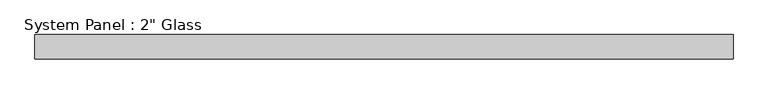
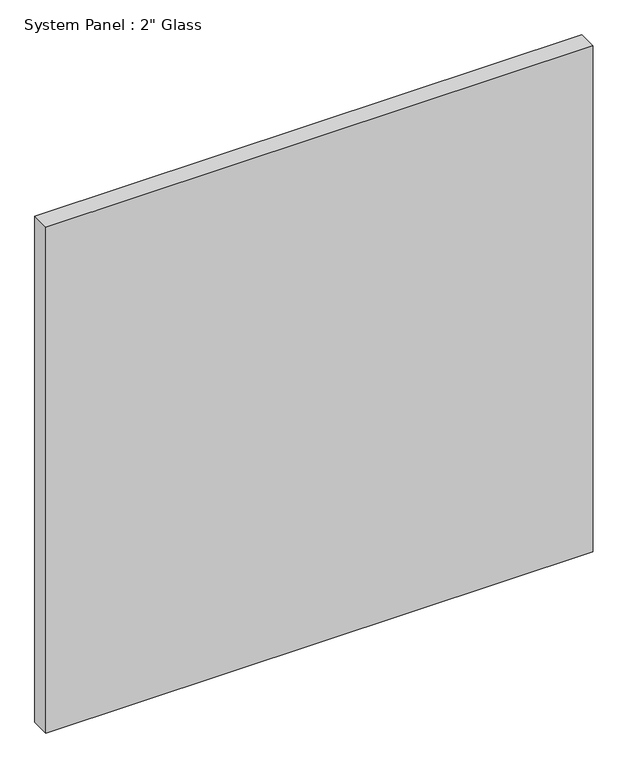
"""IFC4 building model written with IfcOpenShell, lengths in millimetres: plate geometry."""

from ifc_helpers import new_model, si_unit, origin, origin_with_axes, place, context, project, spatial, polyline, outline, extrude, source, transform, mapped, element, save


def plate_4224c85d(model_context):
    return source(origin(), model_context, "Body", "SweptSolid", [
        extrude(outline(polyline([(729.2430865, -25.4), (-729.2430865, -25.4), (-729.2430865, 25.4), (729.2430865, 25.4), (729.2430865, -25.4)])), origin_with_axes(), (0.0, 0.0, 1.0), 1424.9417704),
    ])


if __name__ == "__main__":
    model = new_model("IFC4")
    model_context = context("Model", 3, world=origin())
    ifc_project = project(units=[si_unit("LENGTHUNIT", "METRE", prefix="MILLI")], contexts=[model_context])
    site = spatial("IfcSite", under=ifc_project)
    building = spatial("IfcBuilding", under=site)
    placement = place(None, origin())
    plate_shape = plate_4224c85d(model_context)
    element("IfcPlate", 1, ObjectType="System Panel : 2\" Glass", at=placement, inside=building, context=model_context, shape_type="MappedRepresentation", body=[
        mapped(plate_shape, transform((0.0, 0.0, 0.0), x_axis=(1.0, 0.0, 0.0), y_axis=(0.0, 1.0, 0.0), z_axis=(0.0, 0.0, 1.0))),
    ])
    save(model, "model.ifc")
